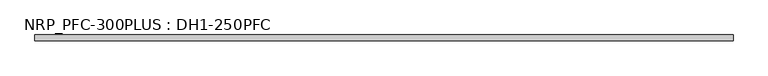
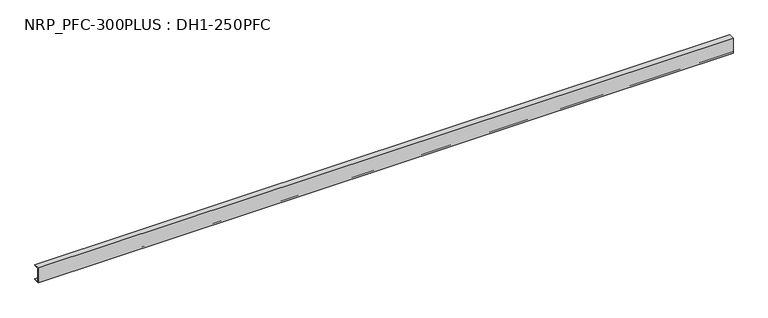
"""IFC4 building model written with IfcOpenShell, lengths in millimetres: beam geometry, NRP_PFC-300PLUS : DH1-250PFC."""

import ifcopenshell
import ifcopenshell.guid

model = None  # the IFC model being written
_history = None  # IfcOwnerHistory: only IFC2X3 demands one
_inside = {}  # id of a spatial element -> (the spatial element, [elements in it])
_under = {}  # id of a project, library or spatial element -> (it, [spatial elements below it])
_declared = {}  # id of a project -> (the project, [libraries it declares])
_typed = {}  # id of a type object -> (the type object, [elements of that type])
_made_of = {}  # id of a material, layer set ... -> (it, [elements and type objects made of it])


def new_model(schema):
    """Start an empty IFC model of exactly this schema.

    Asked for "IFC4X3", IfcOpenShell would pick the latest addendum, in which some entities
    have other attributes; the version numbers below select the first issue.
    IFC2X3 requires an IfcOwnerHistory on every rooted entity: one is made here for all.
    """
    global model, _history
    if schema == "IFC4X3":
        model = ifcopenshell.file(schema_version=(4, 3, 0, 0))
    else:
        model = ifcopenshell.file(schema=schema)
    _inside.clear()
    _under.clear()
    _declared.clear()
    _typed.clear()
    _made_of.clear()
    _history = None
    if model.schema == "IFC2X3":
        org = make("IfcOrganization", Name="unknown")
        user = make(
            "IfcPersonAndOrganization",
            ThePerson=make("IfcPerson", FamilyName="unknown"),
            TheOrganization=org,
        )
        app = make(
            "IfcApplication",
            ApplicationDeveloper=org,
            Version="unknown",
            ApplicationFullName="unknown",
            ApplicationIdentifier="unknown",
        )
        _history = make(
            "IfcOwnerHistory",
            OwningUser=user,
            OwningApplication=app,
            ChangeAction="ADDED",
            CreationDate=0,
        )
    return model


def make(cls, **values):
    """One entity of the class cls with the attributes given. An attribute that is None is left unset."""
    return model.create_entity(
        cls, **{name: value for name, value in values.items() if value is not None}
    )


def rooted(cls, **values):
    """An entity with a GlobalId (a new one), such as an element, a storey or a relation."""
    return make(cls, GlobalId=ifcopenshell.guid.new(), OwnerHistory=_history, **values)


def si_unit(unit_type, name, prefix=None):
    """IfcSIUnit, for example si_unit("LENGTHUNIT", "METRE", prefix="MILLI")."""
    return make("IfcSIUnit", UnitType=unit_type, Prefix=prefix, Name=name)


def assignment(units):
    """IfcUnitAssignment: the units of a project."""
    return None if units is None else make("IfcUnitAssignment", Units=units)


def point(xyz):
    """IfcCartesianPoint."""
    return None if xyz is None else make("IfcCartesianPoint", Coordinates=xyz)


def direction(xyz):
    """IfcDirection."""
    return None if xyz is None else make("IfcDirection", DirectionRatios=xyz)


def frame(location, z_axis=None, x_axis=None):
    """IfcAxis2Placement3D, a coordinate frame: its origin and axes. An axis left out is left unset."""
    return make(
        "IfcAxis2Placement3D",
        Location=point(location),
        Axis=direction(z_axis),
        RefDirection=direction(x_axis),
    )


def frame_2d(location, x_axis=None):
    """IfcAxis2Placement2D, a coordinate frame in the plane: its origin and x axis."""
    return make(
        "IfcAxis2Placement2D", Location=point(location), RefDirection=direction(x_axis)
    )


def origin():
    """The frame at (0, 0, 0) with its axes left unset."""
    return frame((0.0, 0.0, 0.0))


def place(relative_to, where):
    """IfcLocalPlacement: puts the frame where relative to a parent placement (None: the world)."""
    return make(
        "IfcLocalPlacement", PlacementRelTo=relative_to, RelativePlacement=where
    )


def context(
    kind, dimensions, precision=None, world=None, true_north=None, identifier=None
):
    """IfcGeometricRepresentationContext, for example the 3D "Model" context."""
    return make(
        "IfcGeometricRepresentationContext",
        ContextIdentifier=identifier,
        ContextType=kind,
        CoordinateSpaceDimension=dimensions,
        Precision=precision,
        WorldCoordinateSystem=world,
        TrueNorth=true_north,
    )


def project(units=None, contexts=None):
    """IfcProject with its units and contexts."""
    return rooted(
        "IfcProject",
        Name="project",
        RepresentationContexts=contexts,
        UnitsInContext=assignment(units),
    )


def spatial(cls, under=None, at=None, **own):
    """A site, building, storey or space (cls), placed at a placement, below another one or the project."""
    s = rooted(cls, ObjectPlacement=at, **own)
    if under is not None:
        _under.setdefault(under.id(), (under, []))[1].append(s)
    return s


def polyline(points):
    """IfcPolyline through the points."""
    return make("IfcPolyline", Points=[point(p) for p in points])


def circle_curve(where, radius):
    """IfcCircle in the frame where."""
    return make("IfcCircle", Position=where, Radius=radius)


def trimmed(basis, trim1, trim2, sense, master):
    """IfcTrimmedCurve: the piece of a basis curve between two trims."""
    return make(
        "IfcTrimmedCurve",
        BasisCurve=basis,
        Trim1=trim1,
        Trim2=trim2,
        SenseAgreement=sense,
        MasterRepresentation=master,
    )


def segment(curve, same_sense, transition):
    """IfcCompositeCurveSegment."""
    return make(
        "IfcCompositeCurveSegment",
        Transition=transition,
        SameSense=same_sense,
        ParentCurve=curve,
    )


def composite_curve(segments, self_intersect=None):
    """IfcCompositeCurve: segments joined end to end."""
    return make("IfcCompositeCurve", Segments=segments, SelfIntersect=self_intersect)


def outline(outer, holes=None, kind="AREA"):
    """IfcArbitraryClosedProfileDef: a profile drawn as a closed curve; with holes, ...WithVoids."""
    if holes is None:
        return make("IfcArbitraryClosedProfileDef", ProfileType=kind, OuterCurve=outer)
    return make(
        "IfcArbitraryProfileDefWithVoids",
        ProfileType=kind,
        OuterCurve=outer,
        InnerCurves=holes,
    )


def extrude(swept, where, along, depth):
    """IfcExtrudedAreaSolid: the profile swept, set in the frame where, extruded along a direction by depth."""
    return make(
        "IfcExtrudedAreaSolid",
        SweptArea=swept,
        Position=where,
        ExtrudedDirection=direction(along),
        Depth=depth,
    )


def shape(context_of_items, identifier, shape_type, items):
    """IfcShapeRepresentation: the items that make up one representation, for example the "Body"."""
    return make(
        "IfcShapeRepresentation",
        ContextOfItems=context_of_items,
        RepresentationIdentifier=identifier,
        RepresentationType=shape_type,
        Items=items,
    )


def source(mapping_origin, context_of_items, identifier, shape_type, items):
    """IfcRepresentationMap: a shape defined once, which mapped items show again and again."""
    return make(
        "IfcRepresentationMap",
        MappingOrigin=mapping_origin,
        MappedRepresentation=shape(context_of_items, identifier, shape_type, items),
    )


def transform(
    local_origin,
    x_axis=None,
    y_axis=None,
    z_axis=None,
    scale=None,
    scale2=None,
    scale3=None,
    uniform=True,
):
    """IfcCartesianTransformationOperator3D, or its non-uniform kind. x_axis, y_axis, z_axis: its Axis1, 2, 3."""
    if uniform:
        return make(
            "IfcCartesianTransformationOperator3D",
            Axis1=direction(x_axis),
            Axis2=direction(y_axis),
            LocalOrigin=point(local_origin),
            Scale=scale,
            Axis3=direction(z_axis),
        )
    return make(
        "IfcCartesianTransformationOperator3DnonUniform",
        Axis1=direction(x_axis),
        Axis2=direction(y_axis),
        LocalOrigin=point(local_origin),
        Scale=scale,
        Axis3=direction(z_axis),
        Scale2=scale2,
        Scale3=scale3,
    )


def mapped(mapping_source, mapping_target):
    """IfcMappedItem: shows the shape of a source again, moved by a transform."""
    return make(
        "IfcMappedItem", MappingSource=mapping_source, MappingTarget=mapping_target
    )


def made_of(thing, what):
    """Note that an element or type object is made of a material, layer set ...; save() writes the relation."""
    if what is not None:
        _made_of.setdefault(what.id(), (what, []))[1].append(thing)
    return thing


def element(
    cls,
    number,
    at=None,
    inside=None,
    cuts=None,
    type_object=None,
    material=None,
    context=None,
    identifier="Body",
    shape_type=None,
    held_by="IfcProductDefinitionShape",
    body=None,
    shapes=None,
    **own,
):
    """One element of the class cls, such as IfcWall. Its Tag is "e" and its number.

    at: its placement. inside: the storey or other place that contains it. cuts: it is an
    opening in that element (IfcRelVoidsElement). A single representation is given by context,
    identifier, shape_type and body (its items); several are given by shapes. held_by: the class
    of the entity that holds the representations. save() writes the other relations.
    """
    e = rooted(cls, Tag="e%d" % number, ObjectPlacement=at, **own)
    if body is not None:
        shapes = [shape(context, identifier, shape_type, body)]
    if shapes is not None:
        e.Representation = make(held_by, Representations=shapes)
    if inside is not None:
        _inside.setdefault(inside.id(), (inside, []))[1].append(e)
    if cuts is not None:
        rooted(
            "IfcRelVoidsElement", RelatingBuildingElement=cuts, RelatedOpeningElement=e
        )
    if type_object is not None:
        _typed.setdefault(type_object.id(), (type_object, []))[1].append(e)
    return made_of(e, material)


def aggregate(whole, parts):
    """IfcRelAggregates: a whole, such as a stair, and the parts it consists of."""
    return rooted("IfcRelAggregates", RelatingObject=whole, RelatedObjects=parts)


def save(model, path):
    """Write the relations noted so far, then the file.

    IfcRelAggregates (storeys below a building ...), IfcRelContainedInSpatialStructure (elements
    in a storey), IfcRelDefinesByType, IfcRelAssociatesMaterial and IfcRelDeclares: one each for
    every whole, place, type object, material and project.
    """
    for whole, parts in _under.values():
        aggregate(whole, parts)
    for where, things in _inside.values():
        rooted(
            "IfcRelContainedInSpatialStructure",
            RelatedElements=things,
            RelatingStructure=where,
        )
    for kind, things in _typed.values():
        rooted("IfcRelDefinesByType", RelatedObjects=things, RelatingType=kind)
    for what, things in _made_of.values():
        rooted("IfcRelAssociatesMaterial", RelatedObjects=things, RelatingMaterial=what)
    for by, libraries in _declared.values():
        rooted("IfcRelDeclares", RelatingContext=by, RelatedDefinitions=libraries)
    model.write(path)


def nrp_pfc_300plus_dh1_250pfc_260c6fb2(model_context):
    return source(origin(), model_context, "Body", "SweptSolid", [
        extrude(outline(composite_curve([segment(polyline([(-28.6, 125.0), (61.4, 125.0), (61.4, 110.0), (-8.6, 110.0)]), True, "CONTINUOUS"), segment(trimmed(circle_curve(frame_2d((-8.6, 98.0)), 12.0), [point((-8.6, 110.0))], [point((-20.6, 98.0))], True, "CARTESIAN"), True, "CONTINUOUS"), segment(polyline([(-20.6, 98.0), (-20.6, -98.0)]), True, "CONTINUOUS"), segment(trimmed(circle_curve(frame_2d((-8.6, -98.0)), 12.0), [point((-20.6, -98.0))], [point((-8.6, -110.0))], True, "CARTESIAN"), True, "CONTINUOUS"), segment(polyline([(-8.6, -110.0), (61.4, -110.0), (61.4, -125.0), (-28.6, -125.0), (-28.6, 125.0)]), True, "CONTINUOUS")], self_intersect=False)), frame((-5525.0, 0.0, 0.0), z_axis=(1.0, 0.0, 0.0), x_axis=(0.0, 1.0, 0.0)), (0.0, 0.0, 1.0), 11050.0),
    ])


if __name__ == "__main__":
    model = new_model("IFC4")
    model_context = context("Model", 3, world=origin())
    ifc_project = project(units=[si_unit("LENGTHUNIT", "METRE", prefix="MILLI")], contexts=[model_context])
    site = spatial("IfcSite", under=ifc_project)
    building = spatial("IfcBuilding", under=site)
    placement = place(None, origin())
    nrp_pfc_300plus_dh1_250pfc_shape = nrp_pfc_300plus_dh1_250pfc_260c6fb2(model_context)
    element("IfcBeam", 1, ObjectType="NRP_PFC-300PLUS : DH1-250PFC", at=placement, inside=building, context=model_context, shape_type="MappedRepresentation", body=[
        mapped(nrp_pfc_300plus_dh1_250pfc_shape, transform((0.0, 0.0, 0.0), x_axis=(1.0, 0.0, 0.0), y_axis=(0.0, 1.0, 0.0), z_axis=(0.0, 0.0, 1.0))),
    ])
    save(model, "model.ifc")
